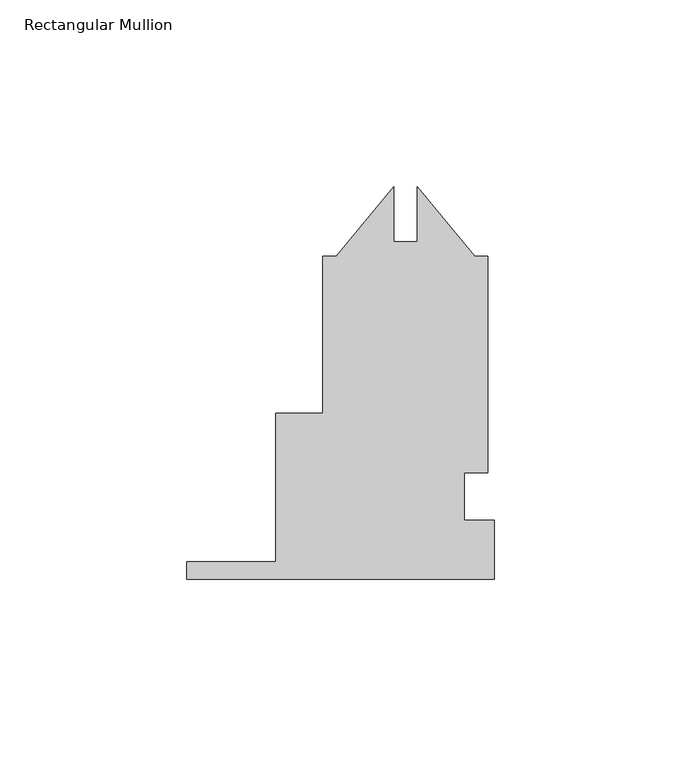
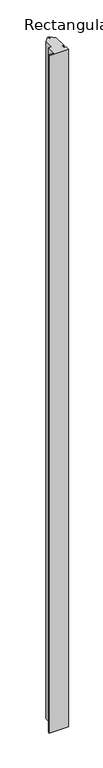
"""IFC4 building model written with IfcOpenShell, lengths in millimetres: member geometry, Rectangular Mullion."""

from ifc_helpers import new_model, si_unit, frame, origin, place, context, project, spatial, polyline, outline, extrude, source, transform, mapped, element, save


def rectangular_mullion_029e568e(model_context):
    return source(origin(), model_context, "Body", "SweptSolid", [
        extrude(outline(polyline([(-20.6375, 46.7910905), (-5.293664, 28.0894604), (-1.7145, 28.0894604), (-1.7145, -29.8479396), (-8.128, -29.8479396), (-8.128, -42.5479396), (0.0, -42.5479396), (0.0, -58.4229396), (-82.4357, -58.4229396), (-82.4357, -53.6477396), (-58.6105, -53.6477396), (-58.6105, -13.9729396), (-45.9105, -13.9729396), (-45.9105, 28.0894604), (-42.331336, 28.0894604), (-26.9866067, 46.7921793), (-26.9866067, 32.0518604), (-20.6375, 32.0518604), (-20.6375, 46.7910905)])), frame((0.0, 0.0, -3048.0), z_axis=(0.0, 0.0, 1.0), x_axis=(1.0, 0.0, 0.0)), (0.0, 0.0, 1.0), 3048.0),
    ])


if __name__ == "__main__":
    model = new_model("IFC4")
    model_context = context("Model", 3, world=origin())
    ifc_project = project(units=[si_unit("LENGTHUNIT", "METRE", prefix="MILLI")], contexts=[model_context])
    site = spatial("IfcSite", under=ifc_project)
    building = spatial("IfcBuilding", under=site)
    placement = place(None, origin())
    rectangular_mullion_shape = rectangular_mullion_029e568e(model_context)
    element("IfcMember", 1, ObjectType="Rectangular Mullion", at=placement, inside=building, context=model_context, shape_type="MappedRepresentation", body=[
        mapped(rectangular_mullion_shape, transform((0.0, 0.0, 0.0), x_axis=(1.0, 0.0, 0.0), y_axis=(0.0, 1.0, 0.0), z_axis=(0.0, 0.0, 1.0))),
    ])
    save(model, "model.ifc")
